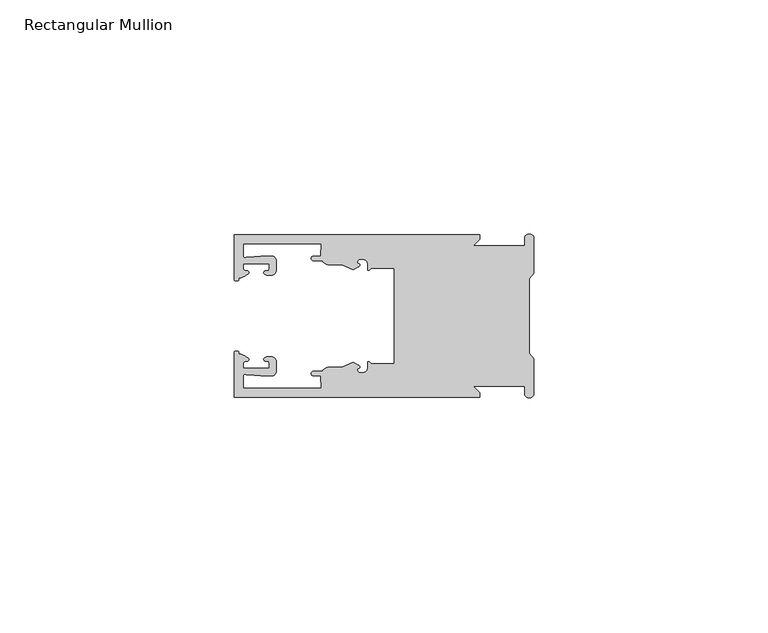
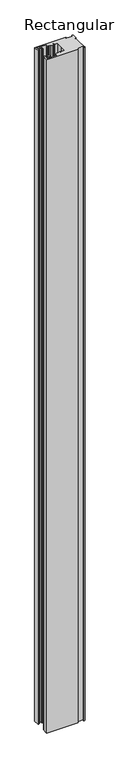
"""IFC4 building model written with IfcOpenShell, lengths in millimetres: member geometry, Rectangular Mullion."""

from ifc_helpers import new_model, si_unit, frame, origin, place, context, project, spatial, polyline, circle_curve, source, transform, mapped, element, save
from ifc_brep_helpers import plane_surface, cylinder_surface, revolved_surface, extruded_surface, spline_curve, advanced_brep


def rectangular_mullion_6d31019d(model_context):
    return source(origin(), model_context, "Body", "AdvancedBrep", [
        advanced_brep(
        [(-11.5387897, 17.4000478, 0.0), (-64.0387868, 17.4000478, 0.0), (-64.0387868, 7.8350057, 0.0), (-63.2884687, 7.5412947, 0.0), (-62.4614154, 8.1921895, 0.0), (-62.0410649, 9.9426451, 0.0), (-62.0424168, 11.1926444, 0.0), (-56.54242, 11.1985924, 0.0), (-56.5410682, 9.9485931, 0.0), (-57.1085345, 8.7314723, 0.0), (-56.0397166, 8.6991345, 0.0), (-55.0407987, 9.7002154, 0.0), (-55.0430697, 11.8002142, 0.0), (-56.0446364, 12.7991315, 0.0), (-58.3650753, 12.7954945, 0.0), (-61.1340054, 12.5502269, 0.0), (-62.044093, 12.7426435, 0.0), (-62.0469668, 15.4000478, 0.0), (-45.4240312, 15.4000478, 0.0), (-45.5732135, 12.8000478, 0.0), (-47.0387868, 12.8000478, 0.0), (-47.0387868, 11.8000478, 0.0), (-45.2543363, 11.8000478, 0.0), (-43.6387868, 10.9000478, 0.0), (-41.0454034, 10.9000478, 0.0), (-38.5697136, 9.8718293, 0.0), (-37.5387868, 10.4670351, 0.0), (-37.6803436, 11.4201497, 0.0), (-37.0270763, 12.1583697, 0.0), (-36.2010815, 12.0127245, 0.0), (-35.54, 11.2248783, 0.0), (-35.54, 10.0, 0.0), (-34.7705791, 10.25, 0.0), (-29.79, 10.25, 0.0), (-29.79, 0.0, 0.0), (-29.79, -10.25, 0.0), (-34.7705791, -10.25, 0.0), (-35.54, -10.0, 0.0), (-35.54, -11.2248783, 0.0), (-36.2010815, -12.0127245, 0.0), (-37.0270763, -12.1583697, 0.0), (-37.6803436, -11.4201497, 0.0), (-37.5387868, -10.4670351, 0.0), (-38.5697136, -9.8718293, 0.0), (-41.0454034, -10.9000478, 0.0), (-43.6387868, -10.9000478, 0.0), (-45.2543363, -11.8000478, 0.0), (-47.0387868, -11.8000478, 0.0), (-47.0387868, -12.8000478, 0.0), (-45.5732135, -12.8000478, 0.0), (-45.4240312, -15.4000478, 0.0), (-62.0469668, -15.4000478, 0.0), (-62.044093, -12.7426435, 0.0), (-61.1340054, -12.5502269, 0.0), (-58.3650753, -12.7954945, 0.0), (-56.0446364, -12.7991314, 0.0), (-55.0430697, -11.8002142, 0.0), (-55.0407987, -9.7002154, 0.0), (-56.0397166, -8.6991345, 0.0), (-57.1085345, -8.7314723, 0.0), (-56.5410682, -9.9485931, 0.0), (-56.54242, -11.1985924, 0.0), (-62.0424168, -11.1926444, 0.0), (-62.0410649, -9.9426451, 0.0), (-62.4614154, -8.1921895, 0.0), (-63.2884687, -7.5412947, 0.0), (-64.0387868, -7.8350057, 0.0), (-64.0387868, -17.4000478, 0.0), (-11.5387897, -17.4000478, 0.0), (-11.5387897, -16.4000449, 0.0), (-12.9388346, -15.0, 0.0), (-2.0, -15.0, 0.0), (-2.0, -16.5, 0.0), (0.0, -16.5, 0.0), (0.0, -9.1160254, 0.0), (-1.0, -7.9613249, 0.0), (-1.0, 0.0, 0.0), (-1.0, 7.9613249, 0.0), (0.0, 9.1160254, 0.0), (0.0, 16.5, 0.0), (-2.0, 16.5, 0.0), (-2.0, 15.0, 0.0), (-12.9388346, 15.0, 0.0), (-11.5387897, 16.4000449, 0.0), (-11.5387897, 17.4000478, -1189.4999997), (-11.5387897, 16.4000449, -1189.4999997), (-12.9388346, 15.0, -1189.4999997), (-2.0, 15.0, -1189.4999997), (-2.0, 16.5, -1189.4999997), (0.0, 16.5, -1189.4999997), (0.0, 9.1160254, -1189.4999997), (-1.0, 7.9613249, -1189.4999997), (-1.0, 0.0, -1189.4999997), (-1.0, -7.9613249, -1189.4999997), (0.0, -9.1160254, -1189.4999997), (0.0, -16.5, -1189.4999997), (-2.0, -16.5, -1189.4999997), (-2.0, -15.0, -1189.4999997), (-12.9388346, -15.0, -1189.4999997), (-11.5387897, -16.4000449, -1189.4999997), (-11.5387897, -17.4000478, -1189.4999997), (-64.0387868, -17.4000478, -1189.4999997), (-64.0387868, -7.8350057, -1189.4999997), (-63.2884687, -7.5412947, -1189.4999997), (-62.4614154, -8.1921895, -1189.4999997), (-62.0410649, -9.9426451, -1189.4999997), (-62.0424168, -11.1926444, -1189.4999997), (-56.54242, -11.1985924, -1189.4999997), (-56.5410682, -9.9485931, -1189.4999997), (-57.1085345, -8.7314723, -1189.4999997), (-56.0397166, -8.6991345, -1189.4999997), (-55.0407987, -9.7002154, -1189.4999997), (-55.0430697, -11.8002142, -1189.4999997), (-56.0446364, -12.7991315, -1189.4999997), (-58.3650753, -12.7954945, -1189.4999997), (-61.1340054, -12.5502269, -1189.4999997), (-62.044093, -12.7426435, -1189.4999997), (-62.0469668, -15.4000478, -1189.4999997), (-45.4240312, -15.4000478, -1189.4999997), (-45.5732135, -12.8000478, -1189.4999997), (-47.0387868, -12.8000478, -1189.4999997), (-47.0387868, -11.8000478, -1189.4999997), (-45.2543363, -11.8000478, -1189.4999997), (-43.6387868, -10.9000478, -1189.4999997), (-41.0454034, -10.9000478, -1189.4999997), (-38.5697136, -9.8718293, -1189.4999997), (-37.5387868, -10.4670351, -1189.4999997), (-37.6803436, -11.4201497, -1189.4999997), (-37.0270763, -12.1583697, -1189.4999997), (-36.2010815, -12.0127245, -1189.4999997), (-35.54, -11.2248783, -1189.4999997), (-35.54, -10.0, -1189.4999997), (-34.7705791, -10.25, -1189.4999997), (-29.79, -10.25, -1189.4999997), (-29.79, 0.0, -1189.4999997), (-29.79, 10.25, -1189.4999997), (-34.7705791, 10.25, -1189.4999997), (-35.54, 10.0, -1189.4999997), (-35.54, 11.2248783, -1189.4999997), (-36.2010815, 12.0127245, -1189.4999997), (-37.0270763, 12.1583697, -1189.4999997), (-37.6803436, 11.4201497, -1189.4999997), (-37.5387868, 10.4670351, -1189.4999997), (-38.5697136, 9.8718293, -1189.4999997), (-41.0454034, 10.9000478, -1189.4999997), (-43.6387868, 10.9000478, -1189.4999997), (-45.2543363, 11.8000478, -1189.4999997), (-47.0387868, 11.8000478, -1189.4999997), (-47.0387868, 12.8000478, -1189.4999997), (-45.5732135, 12.8000478, -1189.4999997), (-45.4240312, 15.4000478, -1189.4999997), (-62.0469668, 15.4000478, -1189.4999997), (-62.044093, 12.7426435, -1189.4999997), (-61.1340054, 12.5502269, -1189.4999997), (-58.3650753, 12.7954945, -1189.4999997), (-56.0446364, 12.7991314, -1189.4999997), (-55.0430697, 11.8002142, -1189.4999997), (-55.0407987, 9.7002154, -1189.4999997), (-56.0397166, 8.6991345, -1189.4999997), (-57.1085345, 8.7314723, -1189.4999997), (-56.5410682, 9.9485931, -1189.4999997), (-56.54242, 11.1985924, -1189.4999997), (-62.0424168, 11.1926444, -1189.4999997), (-62.0410649, 9.9426451, -1189.4999997), (-62.4614154, 8.1921895, -1189.4999997), (-63.2884687, 7.5412947, -1189.4999997), (-64.0387868, 7.8350057, -1189.4999997), (-64.0387868, 17.4000478, -1189.4999997)],
        [
            (0, 1),
            (1, 2),
            (2, 3, spline_curve(3, [(-64.0387868, 7.8350057, 0.0), (-64.038491377, 7.561831774, 0.0), (-63.788385325, 7.463928087, 0.0), (-63.2884687, 7.5412947, 0.0)], [4, 4], [0.0, 0.0019169337574178654])),
            (3, 4, spline_curve(3, [(-63.2884687, 7.5412947, 0.0), (-63.057760917, 7.582232011, 0.0), (-63.018445067, 7.725390894, 0.0), (-63.019925494, 8.056436881, 0.0), (-63.103444208, 8.236386866, 0.0), (-62.4614154, 8.1921895, 0.0)], [4, 2, 4], [0.0, 0.0010199524164107188, 0.0024874514725970356])),
            (4, 5, spline_curve(3, [(-62.4614154, 8.1921895, 0.0), (-60.988497673, 8.880962536, 0.0), (-60.794045122, 9.192776957, 0.0), (-60.949808078, 9.57023562, 0.0), (-61.145214014, 9.682771697, 0.0), (-61.665835706, 9.714019003, 0.0), (-61.965242574, 9.660891484, 0.0), (-62.0410649, 9.9426451, 0.0)], [4, 2, 2, 4], [0.0, 0.003269869179570428, 0.005490050486237203, 0.0073545767114364426])),
            (5, 6),
            (6, 7),
            (7, 8),
            (8, 9, spline_curve(3, [(-56.5410682, 9.9485931, 0.0), (-56.634838635, 9.597117104, 0.0), (-56.904956774, 9.698238818, 0.0), (-57.324171444, 9.731086209, 0.0), (-57.45969165, 9.646199885, 0.0), (-57.729003352, 9.346016011, 0.0), (-57.859492582, 9.113082158, 0.0), (-57.1085345, 8.7314723, 0.0)], [4, 2, 2, 4], [0.0, 0.001593963049934732, 0.0033360256320283306, 0.005339140673503943])),
            (9, 10),
            (10, 11, circle_curve(frame((-56.0407981, 9.699134, 0.0), z_axis=(0.0, 0.0, 1.0), x_axis=(0.0010814451158627505, -0.9999994152380598, 0.0)), 1.0)),
            (11, 12),
            (12, 13, circle_curve(frame((-56.0430691, 11.7991327, 0.0), z_axis=(0.0, 0.0, 1.0), x_axis=(0.0010814451158627505, -0.9999994152380598, 0.0)), 1.0)),
            (13, 14),
            (14, 15),
            (15, 16, spline_curve(3, [(-61.1340054, 12.5502269, 0.0), (-61.605485428, 12.508463911, 0.0), (-61.992111419, 12.303164326, 0.0), (-62.044093, 12.7426435, 0.0)], [4, 4], [0.0, 0.0014803385355886016])),
            (16, 17),
            (17, 18),
            (18, 19),
            (19, 20),
            (20, 21, circle_curve(frame((-47.0387868, 12.3000478, 0.0), z_axis=(0.0, 0.0, 1.0), x_axis=(0.0, -1.0, 0.0)), 0.5)),
            (21, 22),
            (22, 23, circle_curve(frame((-43.6387868, 12.8000478, 0.0), z_axis=(0.0, 0.0, 1.0), x_axis=(0.0, -1.0, 0.0)), 1.9)),
            (23, 24),
            (24, 25),
            (25, 26),
            (26, 27, spline_curve(3, [(-37.5387868, 10.4670351, 0.0), (-36.973919853, 10.833863985, 0.0), (-37.198159645, 11.135696286, 0.0), (-37.587892011, 11.260246073, 0.0), (-37.754584192, 11.180452419, 0.0), (-37.6803436, 11.4201497, 0.0)], [4, 2, 4], [0.0, 0.0019283703160353726, 0.003394584635652914])),
            (27, 28, circle_curve(frame((-37.0434863, 11.5147359, 0.0), z_axis=(0.0, 0.0, -1.0), x_axis=(0.0, -1.0, 0.0)), 0.643843)),
            (28, 29),
            (29, 30, circle_curve(frame((-36.34, 11.2248783, 0.0), z_axis=(0.0, 0.0, -1.0), x_axis=(0.0, -1.0, 0.0)), 0.8)),
            (30, 31),
            (31, 32, spline_curve(3, [(-35.54, 10.0, 0.0), (-35.440000238, 9.598293201, 0.0), (-35.183526594, 9.681626535, 0.0), (-34.7705791, 10.25, 0.0)], [4, 4], [0.0, 0.0027473296990141553])),
            (32, 33),
            (33, 34),
            (34, 35),
            (35, 36),
            (36, 37, spline_curve(3, [(-34.7705791, -10.25, 0.0), (-35.183526594, -9.681626535, 0.0), (-35.440000238, -9.598293201, 0.0), (-35.54, -10.0, 0.0)], [4, 4], [0.0, 0.0027473296990141553])),
            (37, 38),
            (38, 39, circle_curve(frame((-36.34, -11.2248783, 0.0), z_axis=(0.0, 0.0, -1.0), x_axis=(0.0, 1.0, 0.0)), 0.8)),
            (39, 40),
            (40, 41, circle_curve(frame((-37.0434863, -11.5147359, 0.0), z_axis=(0.0, 0.0, -1.0), x_axis=(0.0, 1.0, 0.0)), 0.643843)),
            (41, 42, spline_curve(3, [(-37.6803436, -11.4201497, 0.0), (-37.754584192, -11.180452419, 0.0), (-37.587892011, -11.260246073, 0.0), (-37.198159645, -11.135696286, 0.0), (-36.973919853, -10.833863985, 0.0), (-37.5387868, -10.4670351, 0.0)], [4, 2, 4], [0.0, 0.0014662143196175414, 0.003394584635652914])),
            (42, 43),
            (43, 44),
            (44, 45),
            (45, 46, circle_curve(frame((-43.6387868, -12.8000478, 0.0), z_axis=(0.0, 0.0, 1.0), x_axis=(0.0, 1.0, 0.0)), 1.9)),
            (46, 47),
            (47, 48, circle_curve(frame((-47.0387868, -12.3000478, 0.0), z_axis=(0.0, 0.0, 1.0), x_axis=(0.0, 1.0, 0.0)), 0.5)),
            (48, 49),
            (49, 50),
            (50, 51),
            (51, 52),
            (52, 53, spline_curve(3, [(-62.044093, -12.7426435, 0.0), (-61.992111419, -12.303164326, 0.0), (-61.605485428, -12.508463911, 0.0), (-61.1340054, -12.5502269, 0.0)], [4, 4], [0.0, 0.0014803385355886016])),
            (53, 54),
            (54, 55),
            (55, 56, circle_curve(frame((-56.0430691, -11.7991327, 0.0), z_axis=(0.0, 0.0, 1.0), x_axis=(0.001081445115855867, 0.9999994152380598, 0.0)), 1.0)),
            (56, 57),
            (57, 58, circle_curve(frame((-56.0407981, -9.699134, 0.0), z_axis=(0.0, 0.0, 1.0), x_axis=(0.001081445115855867, 0.9999994152380598, 0.0)), 1.0)),
            (58, 59),
            (59, 60, spline_curve(3, [(-57.1085345, -8.7314723, 0.0), (-57.859492582, -9.113082158, 0.0), (-57.729003352, -9.346016011, 0.0), (-57.45969165, -9.646199885, 0.0), (-57.324171444, -9.731086209, 0.0), (-56.904956774, -9.698238818, 0.0), (-56.634838635, -9.597117104, 0.0), (-56.5410682, -9.9485931, 0.0)], [4, 2, 2, 4], [0.0, 0.002003115041475612, 0.0037451776235692107, 0.005339140673503943])),
            (60, 61),
            (61, 62),
            (62, 63),
            (63, 64, spline_curve(3, [(-62.0410649, -9.9426451, 0.0), (-61.965242574, -9.660891484, 0.0), (-61.665835706, -9.714019003, 0.0), (-61.145214014, -9.682771697, 0.0), (-60.949808078, -9.57023562, 0.0), (-60.794045122, -9.192776957, 0.0), (-60.988497673, -8.880962536, 0.0), (-62.4614154, -8.1921895, 0.0)], [4, 2, 2, 4], [0.0, 0.0018645262251992395, 0.004084707531866015, 0.0073545767114364426])),
            (64, 65, spline_curve(3, [(-62.4614154, -8.1921895, 0.0), (-63.103444208, -8.236386866, 0.0), (-63.019925494, -8.056436881, 0.0), (-63.018445067, -7.725390894, 0.0), (-63.057760917, -7.582232011, 0.0), (-63.2884687, -7.5412947, 0.0)], [4, 2, 4], [0.0, 0.0014674990561863168, 0.0024874514725970356])),
            (65, 66, spline_curve(3, [(-63.2884687, -7.5412947, 0.0), (-63.788385325, -7.463928087, 0.0), (-64.038491377, -7.561831774, 0.0), (-64.0387868, -7.8350057, 0.0)], [4, 4], [0.0, 0.0019169337574178654])),
            (66, 67),
            (67, 68),
            (68, 69),
            (69, 70),
            (70, 71),
            (71, 72),
            (72, 73, circle_curve(frame((-1.0, -16.5, 0.0), z_axis=(0.0, 0.0, 1.0), x_axis=(0.0, 1.0, 0.0)), 1.0)),
            (73, 74),
            (74, 75),
            (75, 76),
            (76, 77),
            (77, 78),
            (78, 79),
            (79, 80, circle_curve(frame((-1.0, 16.5, 0.0), z_axis=(0.0, 0.0, 1.0), x_axis=(0.0, -1.0, 0.0)), 1.0)),
            (80, 81),
            (81, 82),
            (82, 83),
            (83, 0),
            (84, 85),
            (85, 86),
            (86, 87),
            (87, 88),
            (88, 89, circle_curve(frame((-1.0, 16.5, -1189.4999997), z_axis=(0.0, 0.0, -1.0), x_axis=(0.0, -1.0, 0.0)), 1.0)),
            (89, 90),
            (90, 91),
            (91, 92),
            (92, 93),
            (93, 94),
            (94, 95),
            (95, 96, circle_curve(frame((-1.0, -16.5, -1189.4999997), z_axis=(0.0, 0.0, -1.0), x_axis=(0.0, 1.0, 0.0)), 1.0)),
            (96, 97),
            (97, 98),
            (98, 99),
            (99, 100),
            (100, 101),
            (101, 102),
            (102, 103, spline_curve(3, [(-64.0387868, -7.8350057, -1189.4999997), (-64.038491377, -7.561831774, -1189.4999997), (-63.788385325, -7.463928087, -1189.4999997), (-63.2884687, -7.5412947, -1189.4999997)], [4, 4], [0.0, 0.0019169337574178654])),
            (103, 104, spline_curve(3, [(-63.2884687, -7.5412947, -1189.4999997), (-63.057760917, -7.582232011, -1189.4999997), (-63.018445067, -7.725390894, -1189.4999997), (-63.019925494, -8.056436881, -1189.4999997), (-63.103444208, -8.236386866, -1189.4999997), (-62.4614154, -8.1921895, -1189.4999997)], [4, 2, 4], [0.0, 0.0010199524164107188, 0.0024874514725970356])),
            (104, 105, spline_curve(3, [(-62.4614154, -8.1921895, -1189.4999997), (-60.988497673, -8.880962536, -1189.4999997), (-60.794045122, -9.192776957, -1189.4999997), (-60.949808078, -9.57023562, -1189.4999997), (-61.145214014, -9.682771697, -1189.4999997), (-61.665835706, -9.714019003, -1189.4999997), (-61.965242574, -9.660891484, -1189.4999997), (-62.0410649, -9.9426451, -1189.4999997)], [4, 2, 2, 4], [0.0, 0.003269869179570428, 0.005490050486237203, 0.0073545767114364426])),
            (105, 106),
            (106, 107),
            (107, 108),
            (108, 109, spline_curve(3, [(-56.5410682, -9.9485931, -1189.4999997), (-56.634838635, -9.597117104, -1189.4999997), (-56.904956774, -9.698238818, -1189.4999997), (-57.324171444, -9.731086209, -1189.4999997), (-57.45969165, -9.646199885, -1189.4999997), (-57.729003352, -9.346016011, -1189.4999997), (-57.859492582, -9.113082158, -1189.4999997), (-57.1085345, -8.7314723, -1189.4999997)], [4, 2, 2, 4], [0.0, 0.001593963049934732, 0.0033360256320283306, 0.005339140673503943])),
            (109, 110),
            (110, 111, circle_curve(frame((-56.0407981, -9.699134, -1189.4999997), z_axis=(0.0, 0.0, -1.0), x_axis=(0.001081445115855867, 0.9999994152380598, 0.0)), 1.0)),
            (111, 112),
            (112, 113, circle_curve(frame((-56.0430691, -11.7991327, -1189.4999997), z_axis=(0.0, 0.0, -1.0), x_axis=(0.001081445115855867, 0.9999994152380598, 0.0)), 1.0)),
            (113, 114),
            (114, 115),
            (115, 116, spline_curve(3, [(-61.1340054, -12.5502269, -1189.4999997), (-61.605485428, -12.508463911, -1189.4999997), (-61.992111419, -12.303164326, -1189.4999997), (-62.044093, -12.7426435, -1189.4999997)], [4, 4], [0.0, 0.0014803385355886016])),
            (116, 117),
            (117, 118),
            (118, 119),
            (119, 120),
            (120, 121, circle_curve(frame((-47.0387868, -12.3000478, -1189.4999997), z_axis=(0.0, 0.0, -1.0), x_axis=(0.0, 1.0, 0.0)), 0.5)),
            (121, 122),
            (122, 123, circle_curve(frame((-43.6387868, -12.8000478, -1189.4999997), z_axis=(0.0, 0.0, -1.0), x_axis=(0.0, 1.0, 0.0)), 1.9)),
            (123, 124),
            (124, 125),
            (125, 126),
            (126, 127, spline_curve(3, [(-37.5387868, -10.4670351, -1189.4999997), (-36.973919853, -10.833863985, -1189.4999997), (-37.198159645, -11.135696286, -1189.4999997), (-37.587892011, -11.260246073, -1189.4999997), (-37.754584192, -11.180452419, -1189.4999997), (-37.6803436, -11.4201497, -1189.4999997)], [4, 2, 4], [0.0, 0.0019283703160353726, 0.003394584635652914])),
            (127, 128, circle_curve(frame((-37.0434863, -11.5147359, -1189.4999997), z_axis=(0.0, 0.0, 1.0), x_axis=(0.0, 1.0, 0.0)), 0.643843)),
            (128, 129),
            (129, 130, circle_curve(frame((-36.34, -11.2248783, -1189.4999997), z_axis=(0.0, 0.0, 1.0), x_axis=(0.0, 1.0, 0.0)), 0.8)),
            (130, 131),
            (131, 132, spline_curve(3, [(-35.54, -10.0, -1189.4999997), (-35.440000238, -9.598293201, -1189.4999997), (-35.183526594, -9.681626535, -1189.4999997), (-34.7705791, -10.25, -1189.4999997)], [4, 4], [0.0, 0.0027473296990141553])),
            (132, 133),
            (133, 134),
            (134, 135),
            (135, 136),
            (136, 137, spline_curve(3, [(-34.7705791, 10.25, -1189.4999997), (-35.183526594, 9.681626535, -1189.4999997), (-35.440000238, 9.598293201, -1189.4999997), (-35.54, 10.0, -1189.4999997)], [4, 4], [0.0, 0.0027473296990141553])),
            (137, 138),
            (138, 139, circle_curve(frame((-36.34, 11.2248783, -1189.4999997), z_axis=(0.0, 0.0, 1.0), x_axis=(0.0, -1.0, 0.0)), 0.8)),
            (139, 140),
            (140, 141, circle_curve(frame((-37.0434863, 11.5147359, -1189.4999997), z_axis=(0.0, 0.0, 1.0), x_axis=(0.0, -1.0, 0.0)), 0.643843)),
            (141, 142, spline_curve(3, [(-37.6803436, 11.4201497, -1189.4999997), (-37.754584192, 11.180452419, -1189.4999997), (-37.587892011, 11.260246073, -1189.4999997), (-37.198159645, 11.135696286, -1189.4999997), (-36.973919853, 10.833863985, -1189.4999997), (-37.5387868, 10.4670351, -1189.4999997)], [4, 2, 4], [0.0, 0.0014662143196175414, 0.003394584635652914])),
            (142, 143),
            (143, 144),
            (144, 145),
            (145, 146, circle_curve(frame((-43.6387868, 12.8000478, -1189.4999997), z_axis=(0.0, 0.0, -1.0), x_axis=(0.0, -1.0, 0.0)), 1.9)),
            (146, 147),
            (147, 148, circle_curve(frame((-47.0387868, 12.3000478, -1189.4999997), z_axis=(0.0, 0.0, -1.0), x_axis=(0.0, -1.0, 0.0)), 0.5)),
            (148, 149),
            (149, 150),
            (150, 151),
            (151, 152),
            (152, 153, spline_curve(3, [(-62.044093, 12.7426435, -1189.4999997), (-61.992111419, 12.303164326, -1189.4999997), (-61.605485428, 12.508463911, -1189.4999997), (-61.1340054, 12.5502269, -1189.4999997)], [4, 4], [0.0, 0.0014803385355886016])),
            (153, 154),
            (154, 155),
            (155, 156, circle_curve(frame((-56.0430691, 11.7991327, -1189.4999997), z_axis=(0.0, 0.0, -1.0), x_axis=(0.0010814451158627505, -0.9999994152380598, 0.0)), 1.0)),
            (156, 157),
            (157, 158, circle_curve(frame((-56.0407981, 9.699134, -1189.4999997), z_axis=(0.0, 0.0, -1.0), x_axis=(0.0010814451158627505, -0.9999994152380598, 0.0)), 1.0)),
            (158, 159),
            (159, 160, spline_curve(3, [(-57.1085345, 8.7314723, -1189.4999997), (-57.859492582, 9.113082158, -1189.4999997), (-57.729003352, 9.346016011, -1189.4999997), (-57.45969165, 9.646199885, -1189.4999997), (-57.324171444, 9.731086209, -1189.4999997), (-56.904956774, 9.698238818, -1189.4999997), (-56.634838635, 9.597117104, -1189.4999997), (-56.5410682, 9.9485931, -1189.4999997)], [4, 2, 2, 4], [0.0, 0.002003115041475612, 0.0037451776235692107, 0.005339140673503943])),
            (160, 161),
            (161, 162),
            (162, 163),
            (163, 164, spline_curve(3, [(-62.0410649, 9.9426451, -1189.4999997), (-61.965242574, 9.660891484, -1189.4999997), (-61.665835706, 9.714019003, -1189.4999997), (-61.145214014, 9.682771697, -1189.4999997), (-60.949808078, 9.57023562, -1189.4999997), (-60.794045122, 9.192776957, -1189.4999997), (-60.988497673, 8.880962536, -1189.4999997), (-62.4614154, 8.1921895, -1189.4999997)], [4, 2, 2, 4], [0.0, 0.0018645262251992395, 0.004084707531866015, 0.0073545767114364426])),
            (164, 165, spline_curve(3, [(-62.4614154, 8.1921895, -1189.4999997), (-63.103444208, 8.236386866, -1189.4999997), (-63.019925494, 8.056436881, -1189.4999997), (-63.018445067, 7.725390894, -1189.4999997), (-63.057760917, 7.582232011, -1189.4999997), (-63.2884687, 7.5412947, -1189.4999997)], [4, 2, 4], [0.0, 0.0014674990561863168, 0.0024874514725970356])),
            (165, 166, spline_curve(3, [(-63.2884687, 7.5412947, -1189.4999997), (-63.788385325, 7.463928087, -1189.4999997), (-64.038491377, 7.561831774, -1189.4999997), (-64.0387868, 7.8350057, -1189.4999997)], [4, 4], [0.0, 0.0019169337574178654])),
            (166, 167),
            (167, 84),
            (0, 84),
            (167, 1),
            (166, 2),
            (165, 3),
            (164, 4),
            (163, 5),
            (162, 6),
            (161, 7),
            (160, 8),
            (159, 9),
            (158, 10),
            (157, 11),
            (156, 12),
            (155, 13),
            (154, 14),
            (153, 15),
            (152, 16),
            (151, 17),
            (150, 18),
            (149, 19),
            (148, 20),
            (147, 21),
            (146, 22),
            (145, 23),
            (144, 24),
            (143, 25),
            (142, 26),
            (141, 27),
            (140, 28),
            (139, 29),
            (138, 30),
            (137, 31),
            (136, 32),
            (135, 33),
            (134, 34),
            (133, 35),
            (132, 36),
            (131, 37),
            (130, 38),
            (129, 39),
            (128, 40),
            (127, 41),
            (126, 42),
            (125, 43),
            (124, 44),
            (123, 45),
            (122, 46),
            (121, 47),
            (120, 48),
            (119, 49),
            (118, 50),
            (117, 51),
            (116, 52),
            (115, 53),
            (114, 54),
            (113, 55),
            (112, 56),
            (111, 57),
            (110, 58),
            (109, 59),
            (108, 60),
            (107, 61),
            (106, 62),
            (105, 63),
            (104, 64),
            (103, 65),
            (102, 66),
            (101, 67),
            (100, 68),
            (99, 69),
            (98, 70),
            (97, 71),
            (96, 72),
            (95, 73),
            (94, 74),
            (93, 75),
            (92, 76),
            (91, 77),
            (90, 78),
            (89, 79),
            (88, 80),
            (87, 81),
            (86, 82),
            (85, 83),
        ],
        [
            plane_surface(frame((0.0, -66.3605898, 0.0), z_axis=(0.0, 0.0, 1.0), x_axis=(-1.0, 0.0, 0.0))),
            plane_surface(frame((0.0, -66.3605898, -1189.4999997), z_axis=(0.0, 0.0, -1.0), x_axis=(-1.0, 0.0, 0.0))),
            plane_surface(frame((-11.5387897, 17.4000478, 0.0), z_axis=(0.0, 1.0, 0.0), x_axis=(0.0, 0.0, -1.0))),
            plane_surface(frame((-64.0387868, 17.4000478, 0.0), z_axis=(-1.0, 0.0, 0.0), x_axis=(0.0, 0.0, -1.0))),
            extruded_surface(spline_curve(3, [(-64.0387868, 7.8350057, -1189.4999997), (-64.038491377, 7.561831774, -1189.4999997), (-63.788385325, 7.463928087, -1189.4999997), (-63.2884687, 7.5412947, -1189.4999997)], [4, 4], [0.0, 0.0019169337574178654]), (0.0, 0.0, 1189.4999997), 1189.4999997),
            extruded_surface(spline_curve(3, [(-63.2884687, 7.5412947, -1189.4999997), (-63.057760917, 7.582232011, -1189.4999997), (-63.018445067, 7.725390894, -1189.4999997), (-63.019925494, 8.056436881, -1189.4999997), (-63.103444208, 8.236386866, -1189.4999997), (-62.4614154, 8.1921895, -1189.4999997)], [4, 2, 4], [0.0, 0.0010199524164107188, 0.0024874514725970356]), (0.0, 0.0, 1189.4999997), 1189.4999997),
            extruded_surface(spline_curve(3, [(-62.4614154, 8.1921895, -1189.4999997), (-60.988497673, 8.880962536, -1189.4999997), (-60.794045122, 9.192776957, -1189.4999997), (-60.949808078, 9.57023562, -1189.4999997), (-61.145214014, 9.682771697, -1189.4999997), (-61.665835706, 9.714019003, -1189.4999997), (-61.965242574, 9.660891484, -1189.4999997), (-62.0410649, 9.9426451, -1189.4999997)], [4, 2, 2, 4], [0.0, 0.003269869179570428, 0.005490050486237203, 0.0073545767114364426]), (0.0, 0.0, 1189.4999997), 1189.4999997),
            plane_surface(frame((-62.0410649, 9.9426451, 0.0), z_axis=(0.9999994152380598, 0.0010814451158593665, 0.0), x_axis=(0.0, 0.0, -1.0))),
            plane_surface(frame((-62.0424168, 11.1926444, 0.0), z_axis=(0.0010814451158611391, -0.9999994152380598, 0.0), x_axis=(0.0, 0.0, -1.0))),
            plane_surface(frame((-56.54242, 11.1985924, 0.0), z_axis=(-0.9999994152380598, -0.0010814451158584516, 0.0), x_axis=(0.0, 0.0, -1.0))),
            extruded_surface(spline_curve(3, [(-56.5410682, 9.9485931, -1189.4999997), (-56.634838635, 9.597117104, -1189.4999997), (-56.904956774, 9.698238818, -1189.4999997), (-57.324171444, 9.731086209, -1189.4999997), (-57.45969165, 9.646199885, -1189.4999997), (-57.729003352, 9.346016011, -1189.4999997), (-57.859492582, 9.113082158, -1189.4999997), (-57.1085345, 8.7314723, -1189.4999997)], [4, 2, 2, 4], [0.0, 0.001593963049934732, 0.0033360256320283306, 0.005339140673503943]), (0.0, 0.0, 1189.4999997), 1189.4999997),
            plane_surface(frame((-57.1085345, 8.7314723, 0.0), z_axis=(-0.030241832452869922, -0.9995426111826813, 0.0), x_axis=(0.0, 0.0, -1.0))),
            cylinder_surface(frame((-56.0407981, 9.699134, 0.0), z_axis=(0.0, 0.0, 1.0000000000000002), x_axis=(0.0010814451158627505, -0.9999994152380598, 0.0)), 1.0),
            plane_surface(frame((-55.0407987, 9.7002154, 0.0), z_axis=(0.9999994152380598, 0.001081445115858722, 0.0), x_axis=(0.0, 0.0, -1.0))),
            cylinder_surface(frame((-56.0430691, 11.7991327, 0.0), z_axis=(0.0, 0.0, 1.0000000000000002), x_axis=(0.0010814451158627505, -0.9999994152380598, 0.0)), 1.0),
            plane_surface(frame((-56.0446364, 12.7991314, 0.0), z_axis=(-0.0015673183327907744, 0.9999987717558677, 0.0), x_axis=(0.0, 0.0, -1.0))),
            plane_surface(frame((-58.3650753, 12.7954945, 0.0), z_axis=(-0.08823302167299531, 0.9960998614026874, 0.0), x_axis=(0.0, 0.0, -1.0))),
            extruded_surface(spline_curve(3, [(-61.1340054, 12.5502269, -1189.4999997), (-61.605485428, 12.508463911, -1189.4999997), (-61.992111419, 12.303164326, -1189.4999997), (-62.044093, 12.7426435, -1189.4999997)], [4, 4], [0.0, 0.0014803385355886016]), (0.0, 0.0, 1189.4999997), 1189.4999997),
            plane_surface(frame((-62.044093, 12.7426435, 0.0), z_axis=(0.9999994152380598, 0.0010814451158597813, 0.0), x_axis=(0.0, 0.0, -1.0))),
            plane_surface(frame((-62.0469668, 15.4000478, 0.0), z_axis=(0.0, -1.0, 0.0), x_axis=(0.0, 0.0, -1.0))),
            plane_surface(frame((-45.4240312, 15.4000478, 0.0), z_axis=(-0.9983579461523547, 0.05728360458675776, 0.0), x_axis=(0.0, 0.0, -1.0))),
            plane_surface(frame((-45.5732135, 12.8000478, 0.0), z_axis=(0.0, 1.0, 0.0), x_axis=(0.0, 0.0, -1.0))),
            cylinder_surface(frame((-47.0387868, 12.3000478, 0.0), z_axis=(0.0, 0.0, 1.0), x_axis=(0.0, -1.0, 0.0)), 0.5),
            plane_surface(frame((-47.0387868, 11.8000478, 0.0), z_axis=(0.0, -1.0, 0.0), x_axis=(0.0, 0.0, -1.0))),
            cylinder_surface(frame((-43.6387868, 12.8000478, 0.0), z_axis=(0.0, 0.0, 1.0), x_axis=(0.0, -1.0, 0.0)), 1.9),
            plane_surface(frame((-43.6387868, 10.9000478, 0.0), z_axis=(0.0, -1.0, 0.0), x_axis=(0.0, 0.0, -1.0))),
            plane_surface(frame((-41.0454034, 10.9000478, 0.0), z_axis=(-0.3835602140750569, -0.9235158700199453, 0.0), x_axis=(0.0, 0.0, -1.0))),
            plane_surface(frame((-38.5697136, 9.8718293, 0.0), z_axis=(0.5000000000252295, -0.8660254037698725, 0.0), x_axis=(0.0, 0.0, -1.0))),
            extruded_surface(spline_curve(3, [(-37.5387868, 10.4670351, -1189.4999997), (-36.973919853, 10.833863985, -1189.4999997), (-37.198159645, 11.135696286, -1189.4999997), (-37.587892011, 11.260246073, -1189.4999997), (-37.754584192, 11.180452419, -1189.4999997), (-37.6803436, 11.4201497, -1189.4999997)], [4, 2, 4], [0.0, 0.0019283703160353726, 0.003394584635652914]), (0.0, 0.0, 1189.4999997), 1189.4999997),
            revolved_surface(polyline([(-37.0434863, 10.8708929, -1189.4999997), (-37.0434863, 10.8708929, 0.0)]), (-37.0434863, 11.5147359, 0.0), (0.0, 0.0, -1.0)),
            plane_surface(frame((-37.0270763, 12.1583697, 0.0), z_axis=(-0.17364817767050408, -0.984807753011578, 0.0), x_axis=(0.0, 0.0, -1.0))),
            revolved_surface(polyline([(-36.34, 10.4248783, -1189.4999997), (-36.34, 10.4248783, 0.0)]), (-36.34, 11.2248783, 0.0), (0.0, 0.0, -1.0)),
            plane_surface(frame((-35.54, 11.2248783, 0.0), z_axis=(-1.0, 0.0, 0.0), x_axis=(0.0, 0.0, -1.0))),
            extruded_surface(spline_curve(3, [(-35.54, 10.0, -1189.4999997), (-35.440000238, 9.598293201, -1189.4999997), (-35.183526594, 9.681626535, -1189.4999997), (-34.7705791, 10.25, -1189.4999997)], [4, 4], [0.0, 0.0027473296990141553]), (0.0, 0.0, 1189.4999997), 1189.4999997),
            plane_surface(frame((-34.7705791, 10.25, 0.0), z_axis=(0.0, -1.0, 0.0), x_axis=(0.0, 0.0, -1.0))),
            plane_surface(frame((-29.79, 10.25, 0.0), z_axis=(-1.0, 0.0, 0.0), x_axis=(0.0, 0.0, -1.0))),
            plane_surface(frame((-29.79, 0.0, 0.0), z_axis=(-1.0, 0.0, 0.0), x_axis=(0.0, 0.0, -1.0))),
            plane_surface(frame((-29.79, -10.25, 0.0), z_axis=(0.0, 1.0, 0.0), x_axis=(0.0, 0.0, -1.0))),
            extruded_surface(spline_curve(3, [(-34.7705791, -10.25, -1189.4999997), (-35.183526594, -9.681626535, -1189.4999997), (-35.440000238, -9.598293201, -1189.4999997), (-35.54, -10.0, -1189.4999997)], [4, 4], [0.0, 0.0027473296990141553]), (0.0, 0.0, 1189.4999997), 1189.4999997),
            plane_surface(frame((-35.54, -10.0, 0.0), z_axis=(-1.0, 0.0, 0.0), x_axis=(0.0, 0.0, -1.0))),
            revolved_surface(polyline([(-36.34, -10.4248783, -1189.4999997), (-36.34, -10.4248783, 0.0)]), (-36.34, -11.2248783, 0.0), (0.0, 0.0, -1.0)),
            plane_surface(frame((-36.2010815, -12.0127245, 0.0), z_axis=(-0.17364817767051083, 0.9848077530115767, 0.0), x_axis=(0.0, 0.0, -1.0))),
            revolved_surface(polyline([(-37.0434863, -10.8708929, -1189.4999997), (-37.0434863, -10.8708929, 0.0)]), (-37.0434863, -11.5147359, 0.0), (0.0, 0.0, -1.0)),
            extruded_surface(spline_curve(3, [(-37.6803436, -11.4201497, -1189.4999997), (-37.754584192, -11.180452419, -1189.4999997), (-37.587892011, -11.260246073, -1189.4999997), (-37.198159645, -11.135696286, -1189.4999997), (-36.973919853, -10.833863985, -1189.4999997), (-37.5387868, -10.4670351, -1189.4999997)], [4, 2, 4], [0.0, 0.0014662143196175414, 0.003394584635652914]), (0.0, 0.0, 1189.4999997), 1189.4999997),
            plane_surface(frame((-37.5387868, -10.4670351, 0.0), z_axis=(0.5000000000252234, 0.8660254037698759, 0.0), x_axis=(0.0, 0.0, -1.0))),
            plane_surface(frame((-38.5697136, -9.8718293, 0.0), z_axis=(-0.38356021407506324, 0.9235158700199426, 0.0), x_axis=(0.0, 0.0, -1.0))),
            plane_surface(frame((-41.0454034, -10.9000478, 0.0), z_axis=(0.0, 1.0, 0.0), x_axis=(0.0, 0.0, -1.0))),
            cylinder_surface(frame((-43.6387868, -12.8000478, 0.0), z_axis=(0.0, 0.0, 1.0), x_axis=(0.0, 1.0, 0.0)), 1.9),
            plane_surface(frame((-45.2543363, -11.8000478, 0.0), z_axis=(0.0, 1.0, 0.0), x_axis=(0.0, 0.0, -1.0))),
            cylinder_surface(frame((-47.0387868, -12.3000478, 0.0), z_axis=(0.0, 0.0, 1.0), x_axis=(0.0, 1.0, 0.0)), 0.5),
            plane_surface(frame((-47.0387868, -12.8000478, 0.0), z_axis=(0.0, -1.0, 0.0), x_axis=(0.0, 0.0, -1.0))),
            plane_surface(frame((-45.5732135, -12.8000478, 0.0), z_axis=(-0.9983579461523543, -0.05728360458676463, 0.0), x_axis=(0.0, 0.0, -1.0))),
            plane_surface(frame((-45.4240312, -15.4000478, 0.0), z_axis=(0.0, 1.0, 0.0), x_axis=(0.0, 0.0, -1.0))),
            plane_surface(frame((-62.0469668, -15.4000478, 0.0), z_axis=(0.9999994152380598, -0.001081445115852898, 0.0), x_axis=(0.0, 0.0, -1.0))),
            extruded_surface(spline_curve(3, [(-62.044093, -12.7426435, -1189.4999997), (-61.992111419, -12.303164326, -1189.4999997), (-61.605485428, -12.508463911, -1189.4999997), (-61.1340054, -12.5502269, -1189.4999997)], [4, 4], [0.0, 0.0014803385355886016]), (0.0, 0.0, 1189.4999997), 1189.4999997),
            plane_surface(frame((-61.1340054, -12.5502269, 0.0), z_axis=(-0.08823302167298844, -0.9960998614026879, 0.0), x_axis=(0.0, 0.0, -1.0))),
            plane_surface(frame((-58.3650753, -12.7954945, 0.0), z_axis=(-0.001567318332783891, -0.9999987717558677, 0.0), x_axis=(0.0, 0.0, -1.0))),
            cylinder_surface(frame((-56.0430691, -11.7991327, 0.0), z_axis=(0.0, 0.0, 1.0000000000000002), x_axis=(0.001081445115855867, 0.9999994152380598, 0.0)), 1.0),
            plane_surface(frame((-55.0430697, -11.8002142, 0.0), z_axis=(0.9999994152380598, -0.0010814451158518386, 0.0), x_axis=(0.0, 0.0, -1.0))),
            cylinder_surface(frame((-56.0407981, -9.699134, 0.0), z_axis=(0.0, 0.0, 1.0000000000000002), x_axis=(0.001081445115855867, 0.9999994152380598, 0.0)), 1.0),
            plane_surface(frame((-56.0397166, -8.6991345, 0.0), z_axis=(-0.030241832452876805, 0.9995426111826811, 0.0), x_axis=(0.0, 0.0, -1.0))),
            extruded_surface(spline_curve(3, [(-57.1085345, -8.7314723, -1189.4999997), (-57.859492582, -9.113082158, -1189.4999997), (-57.729003352, -9.346016011, -1189.4999997), (-57.45969165, -9.646199885, -1189.4999997), (-57.324171444, -9.731086209, -1189.4999997), (-56.904956774, -9.698238818, -1189.4999997), (-56.634838635, -9.597117104, -1189.4999997), (-56.5410682, -9.9485931, -1189.4999997)], [4, 2, 2, 4], [0.0, 0.002003115041475612, 0.0037451776235692107, 0.005339140673503943]), (0.0, 0.0, 1189.4999997), 1189.4999997),
            plane_surface(frame((-56.5410682, -9.9485931, 0.0), z_axis=(-0.9999994152380598, 0.0010814451158515682, 0.0), x_axis=(0.0, 0.0, -1.0))),
            plane_surface(frame((-56.54242, -11.1985924, 0.0), z_axis=(0.0010814451158542558, 0.9999994152380598, 0.0), x_axis=(0.0, 0.0, -1.0))),
            plane_surface(frame((-62.0424168, -11.1926444, 0.0), z_axis=(0.9999994152380598, -0.001081445115852483, 0.0), x_axis=(0.0, 0.0, -1.0))),
            extruded_surface(spline_curve(3, [(-62.0410649, -9.9426451, -1189.4999997), (-61.965242574, -9.660891484, -1189.4999997), (-61.665835706, -9.714019003, -1189.4999997), (-61.145214014, -9.682771697, -1189.4999997), (-60.949808078, -9.57023562, -1189.4999997), (-60.794045122, -9.192776957, -1189.4999997), (-60.988497673, -8.880962536, -1189.4999997), (-62.4614154, -8.1921895, -1189.4999997)], [4, 2, 2, 4], [0.0, 0.0018645262251992395, 0.004084707531866015, 0.0073545767114364426]), (0.0, 0.0, 1189.4999997), 1189.4999997),
            extruded_surface(spline_curve(3, [(-62.4614154, -8.1921895, -1189.4999997), (-63.103444208, -8.236386866, -1189.4999997), (-63.019925494, -8.056436881, -1189.4999997), (-63.018445067, -7.725390894, -1189.4999997), (-63.057760917, -7.582232011, -1189.4999997), (-63.2884687, -7.5412947, -1189.4999997)], [4, 2, 4], [0.0, 0.0014674990561863168, 0.0024874514725970356]), (0.0, 0.0, 1189.4999997), 1189.4999997),
            extruded_surface(spline_curve(3, [(-63.2884687, -7.5412947, -1189.4999997), (-63.788385325, -7.463928087, -1189.4999997), (-64.038491377, -7.561831774, -1189.4999997), (-64.0387868, -7.8350057, -1189.4999997)], [4, 4], [0.0, 0.0019169337574178654]), (0.0, 0.0, 1189.4999997), 1189.4999997),
            plane_surface(frame((-64.0387868, -7.8350057, 0.0), z_axis=(-1.0, 0.0, 0.0), x_axis=(0.0, 0.0, -1.0))),
            plane_surface(frame((-64.0387868, -17.4000478, 0.0), z_axis=(0.0, -1.0, 0.0), x_axis=(0.0, 0.0, -1.0))),
            plane_surface(frame((-11.5387897, -17.4000478, 0.0), z_axis=(1.0, 0.0, 0.0), x_axis=(0.0, 0.0, -1.0))),
            plane_surface(frame((-11.5387897, -16.4000449, 0.0), z_axis=(0.7071067811865457, 0.7071067811865493, 0.0), x_axis=(0.0, 0.0, -1.0))),
            plane_surface(frame((-12.9388346, -15.0, 0.0), z_axis=(0.0, -1.0, 0.0), x_axis=(0.0, 0.0, -1.0))),
            plane_surface(frame((-2.0, -15.0, 0.0), z_axis=(-1.0, 0.0, 0.0), x_axis=(0.0, 0.0, -1.0))),
            cylinder_surface(frame((-1.0, -16.5, 0.0), z_axis=(0.0, 0.0, 1.0), x_axis=(0.0, 1.0, 0.0)), 1.0),
            plane_surface(frame((0.0, -16.5, 0.0), z_axis=(1.0, 0.0, 0.0), x_axis=(0.0, 0.0, -1.0))),
            plane_surface(frame((0.0, -9.1160254, 0.0), z_axis=(0.7559289460231527, 0.6546536707025522, 0.0), x_axis=(0.0, 0.0, -1.0))),
            plane_surface(frame((-1.0, -7.9613249, 0.0), z_axis=(1.0, 0.0, 0.0), x_axis=(0.0, 0.0, -1.0))),
            plane_surface(frame((-1.0, 0.0, 0.0), z_axis=(1.0, 0.0, 0.0), x_axis=(0.0, 0.0, -1.0))),
            plane_surface(frame((-1.0, 7.9613249, 0.0), z_axis=(0.7559289460231571, -0.654653670702547, 0.0), x_axis=(0.0, 0.0, -1.0))),
            plane_surface(frame((0.0, 9.1160254, 0.0), z_axis=(1.0, 0.0, 0.0), x_axis=(0.0, 0.0, -1.0))),
            cylinder_surface(frame((-1.0, 16.5, 0.0), z_axis=(0.0, 0.0, 1.0), x_axis=(0.0, -1.0, 0.0)), 1.0),
            plane_surface(frame((-2.0, 16.5, 0.0), z_axis=(-1.0, 0.0, 0.0), x_axis=(0.0, 0.0, -1.0))),
            plane_surface(frame((-2.0, 15.0, 0.0), z_axis=(0.0, 1.0, 0.0), x_axis=(0.0, 0.0, -1.0))),
            plane_surface(frame((-12.9388346, 15.0, 0.0), z_axis=(0.7071067811865507, -0.7071067811865446, 0.0), x_axis=(0.0, 0.0, -1.0))),
            plane_surface(frame((-11.5387897, 16.4000449, 0.0), z_axis=(1.0, 0.0, 0.0), x_axis=(0.0, 0.0, -1.0))),
        ],
        [
            (0, [[1, 2, 3, 4, 5, 6, 7, 8, 9, 10, 11, 12, 13, 14, 15, 16, 17, 18, 19, 20, 21, 22, 23, 24, 25, 26, 27, 28, 29, 30, 31, 32, 33, 34, 35, 36, 37, 38, 39, 40, 41, 42, 43, 44, 45, 46, 47, 48, 49, 50, 51, 52, 53, 54, 55, 56, 57, 58, 59, 60, 61, 62, 63, 64, 65, 66, 67, 68, 69, 70, 71, 72, 73, 74, 75, 76, 77, 78, 79, 80, 81, 82, 83, 84]]),
            (1, [[85, 86, 87, 88, 89, 90, 91, 92, 93, 94, 95, 96, 97, 98, 99, 100, 101, 102, 103, 104, 105, 106, 107, 108, 109, 110, 111, 112, 113, 114, 115, 116, 117, 118, 119, 120, 121, 122, 123, 124, 125, 126, 127, 128, 129, 130, 131, 132, 133, 134, 135, 136, 137, 138, 139, 140, 141, 142, 143, 144, 145, 146, 147, 148, 149, 150, 151, 152, 153, 154, 155, 156, 157, 158, 159, 160, 161, 162, 163, 164, 165, 166, 167, 168]]),
            (2, [[-1, 169, -168, 170]]),
            (3, [[-2, -170, -167, 171]]),
            (4, [[-3, -171, -166, 172]]),
            (5, [[-4, -172, -165, 173]]),
            (6, [[-5, -173, -164, 174]]),
            (7, [[-6, -174, -163, 175]]),
            (8, [[-7, -175, -162, 176]]),
            (9, [[-8, -176, -161, 177]]),
            (10, [[-9, -177, -160, 178]]),
            (11, [[-10, -178, -159, 179]]),
            (12, [[-11, -179, -158, 180]]),
            (13, [[-12, -180, -157, 181]]),
            (14, [[-13, -181, -156, 182]]),
            (15, [[-14, -182, -155, 183]]),
            (16, [[-15, -183, -154, 184]]),
            (17, [[-16, -184, -153, 185]]),
            (18, [[-17, -185, -152, 186]]),
            (19, [[-18, -186, -151, 187]]),
            (20, [[-19, -187, -150, 188]]),
            (21, [[-20, -188, -149, 189]]),
            (22, [[-21, -189, -148, 190]]),
            (23, [[-22, -190, -147, 191]]),
            (24, [[-23, -191, -146, 192]]),
            (25, [[-24, -192, -145, 193]]),
            (26, [[-25, -193, -144, 194]]),
            (27, [[-26, -194, -143, 195]]),
            (28, [[-27, -195, -142, 196]]),
            (29, [[-28, -196, -141, 197]]),
            (30, [[-29, -197, -140, 198]]),
            (31, [[-30, -198, -139, 199]]),
            (32, [[-31, -199, -138, 200]]),
            (33, [[-32, -200, -137, 201]]),
            (34, [[-33, -201, -136, 202]]),
            (35, [[-34, -202, -135, 203]]),
            (36, [[-35, -203, -134, 204]]),
            (37, [[-36, -204, -133, 205]]),
            (38, [[-37, -205, -132, 206]]),
            (39, [[-38, -206, -131, 207]]),
            (40, [[-39, -207, -130, 208]]),
            (41, [[-40, -208, -129, 209]]),
            (42, [[-41, -209, -128, 210]]),
            (43, [[-42, -210, -127, 211]]),
            (44, [[-43, -211, -126, 212]]),
            (45, [[-44, -212, -125, 213]]),
            (46, [[-45, -213, -124, 214]]),
            (47, [[-46, -214, -123, 215]]),
            (48, [[-47, -215, -122, 216]]),
            (49, [[-48, -216, -121, 217]]),
            (50, [[-49, -217, -120, 218]]),
            (51, [[-50, -218, -119, 219]]),
            (52, [[-51, -219, -118, 220]]),
            (53, [[-52, -220, -117, 221]]),
            (54, [[-53, -221, -116, 222]]),
            (55, [[-54, -222, -115, 223]]),
            (56, [[-55, -223, -114, 224]]),
            (57, [[-56, -224, -113, 225]]),
            (58, [[-57, -225, -112, 226]]),
            (59, [[-58, -226, -111, 227]]),
            (60, [[-59, -227, -110, 228]]),
            (61, [[-60, -228, -109, 229]]),
            (62, [[-61, -229, -108, 230]]),
            (63, [[-62, -230, -107, 231]]),
            (64, [[-63, -231, -106, 232]]),
            (65, [[-64, -232, -105, 233]]),
            (66, [[-65, -233, -104, 234]]),
            (67, [[-66, -234, -103, 235]]),
            (68, [[-67, -235, -102, 236]]),
            (69, [[-68, -236, -101, 237]]),
            (70, [[-69, -237, -100, 238]]),
            (71, [[-70, -238, -99, 239]]),
            (72, [[-71, -239, -98, 240]]),
            (73, [[-72, -240, -97, 241]]),
            (74, [[-73, -241, -96, 242]]),
            (75, [[-74, -242, -95, 243]]),
            (76, [[-75, -243, -94, 244]]),
            (77, [[-76, -244, -93, 245]]),
            (78, [[-77, -245, -92, 246]]),
            (79, [[-78, -246, -91, 247]]),
            (80, [[-79, -247, -90, 248]]),
            (81, [[-80, -248, -89, 249]]),
            (82, [[-81, -249, -88, 250]]),
            (83, [[-82, -250, -87, 251]]),
            (84, [[-83, -251, -86, 252]]),
            (85, [[-84, -252, -85, -169]]),
        ],
    ),
    ])


if __name__ == "__main__":
    model = new_model("IFC4")
    model_context = context("Model", 3, world=origin())
    ifc_project = project(units=[si_unit("LENGTHUNIT", "METRE", prefix="MILLI")], contexts=[model_context])
    site = spatial("IfcSite", under=ifc_project)
    building = spatial("IfcBuilding", under=site)
    placement = place(None, origin())
    rectangular_mullion_shape = rectangular_mullion_6d31019d(model_context)
    element("IfcMember", 1, ObjectType="Rectangular Mullion", at=placement, inside=building, context=model_context, shape_type="MappedRepresentation", body=[
        mapped(rectangular_mullion_shape, transform((0.0, 0.0, 0.0), x_axis=(1.0, 0.0, 0.0), y_axis=(0.0, 1.0, 0.0), z_axis=(0.0, 0.0, 1.0))),
    ])
    save(model, "model.ifc")
